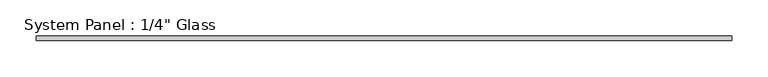
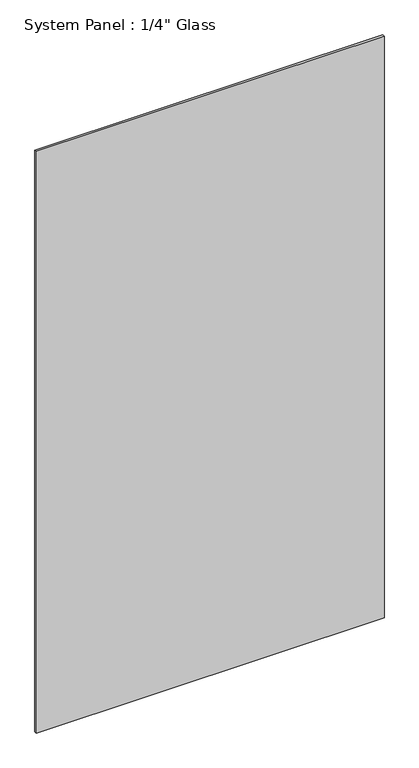
"""IFC4 building model written with IfcOpenShell, lengths in millimetres: plate geometry."""

import ifcopenshell
import ifcopenshell.guid

model = None  # the IFC model being written
_history = None  # IfcOwnerHistory: only IFC2X3 demands one
_inside = {}  # id of a spatial element -> (the spatial element, [elements in it])
_under = {}  # id of a project, library or spatial element -> (it, [spatial elements below it])
_declared = {}  # id of a project -> (the project, [libraries it declares])
_typed = {}  # id of a type object -> (the type object, [elements of that type])
_made_of = {}  # id of a material, layer set ... -> (it, [elements and type objects made of it])


def new_model(schema):
    """Start an empty IFC model of exactly this schema.

    Asked for "IFC4X3", IfcOpenShell would pick the latest addendum, in which some entities
    have other attributes; the version numbers below select the first issue.
    IFC2X3 requires an IfcOwnerHistory on every rooted entity: one is made here for all.
    """
    global model, _history
    if schema == "IFC4X3":
        model = ifcopenshell.file(schema_version=(4, 3, 0, 0))
    else:
        model = ifcopenshell.file(schema=schema)
    _inside.clear()
    _under.clear()
    _declared.clear()
    _typed.clear()
    _made_of.clear()
    _history = None
    if model.schema == "IFC2X3":
        org = make("IfcOrganization", Name="unknown")
        user = make(
            "IfcPersonAndOrganization",
            ThePerson=make("IfcPerson", FamilyName="unknown"),
            TheOrganization=org,
        )
        app = make(
            "IfcApplication",
            ApplicationDeveloper=org,
            Version="unknown",
            ApplicationFullName="unknown",
            ApplicationIdentifier="unknown",
        )
        _history = make(
            "IfcOwnerHistory",
            OwningUser=user,
            OwningApplication=app,
            ChangeAction="ADDED",
            CreationDate=0,
        )
    return model


def make(cls, **values):
    """One entity of the class cls with the attributes given. An attribute that is None is left unset."""
    return model.create_entity(
        cls, **{name: value for name, value in values.items() if value is not None}
    )


def rooted(cls, **values):
    """An entity with a GlobalId (a new one), such as an element, a storey or a relation."""
    return make(cls, GlobalId=ifcopenshell.guid.new(), OwnerHistory=_history, **values)


def si_unit(unit_type, name, prefix=None):
    """IfcSIUnit, for example si_unit("LENGTHUNIT", "METRE", prefix="MILLI")."""
    return make("IfcSIUnit", UnitType=unit_type, Prefix=prefix, Name=name)


def assignment(units):
    """IfcUnitAssignment: the units of a project."""
    return None if units is None else make("IfcUnitAssignment", Units=units)


def point(xyz):
    """IfcCartesianPoint."""
    return None if xyz is None else make("IfcCartesianPoint", Coordinates=xyz)


def direction(xyz):
    """IfcDirection."""
    return None if xyz is None else make("IfcDirection", DirectionRatios=xyz)


def frame(location, z_axis=None, x_axis=None):
    """IfcAxis2Placement3D, a coordinate frame: its origin and axes. An axis left out is left unset."""
    return make(
        "IfcAxis2Placement3D",
        Location=point(location),
        Axis=direction(z_axis),
        RefDirection=direction(x_axis),
    )


def origin():
    """The frame at (0, 0, 0) with its axes left unset."""
    return frame((0.0, 0.0, 0.0))


def origin_with_axes():
    """The frame at (0, 0, 0) with the z axis (0, 0, 1) and the x axis (1, 0, 0) written out."""
    return frame((0.0, 0.0, 0.0), z_axis=(0.0, 0.0, 1.0), x_axis=(1.0, 0.0, 0.0))


def place(relative_to, where):
    """IfcLocalPlacement: puts the frame where relative to a parent placement (None: the world)."""
    return make(
        "IfcLocalPlacement", PlacementRelTo=relative_to, RelativePlacement=where
    )


def context(
    kind, dimensions, precision=None, world=None, true_north=None, identifier=None
):
    """IfcGeometricRepresentationContext, for example the 3D "Model" context."""
    return make(
        "IfcGeometricRepresentationContext",
        ContextIdentifier=identifier,
        ContextType=kind,
        CoordinateSpaceDimension=dimensions,
        Precision=precision,
        WorldCoordinateSystem=world,
        TrueNorth=true_north,
    )


def project(units=None, contexts=None):
    """IfcProject with its units and contexts."""
    return rooted(
        "IfcProject",
        Name="project",
        RepresentationContexts=contexts,
        UnitsInContext=assignment(units),
    )


def spatial(cls, under=None, at=None, **own):
    """A site, building, storey or space (cls), placed at a placement, below another one or the project."""
    s = rooted(cls, ObjectPlacement=at, **own)
    if under is not None:
        _under.setdefault(under.id(), (under, []))[1].append(s)
    return s


def polyline(points):
    """IfcPolyline through the points."""
    return make("IfcPolyline", Points=[point(p) for p in points])


def outline(outer, holes=None, kind="AREA"):
    """IfcArbitraryClosedProfileDef: a profile drawn as a closed curve; with holes, ...WithVoids."""
    if holes is None:
        return make("IfcArbitraryClosedProfileDef", ProfileType=kind, OuterCurve=outer)
    return make(
        "IfcArbitraryProfileDefWithVoids",
        ProfileType=kind,
        OuterCurve=outer,
        InnerCurves=holes,
    )


def extrude(swept, where, along, depth):
    """IfcExtrudedAreaSolid: the profile swept, set in the frame where, extruded along a direction by depth."""
    return make(
        "IfcExtrudedAreaSolid",
        SweptArea=swept,
        Position=where,
        ExtrudedDirection=direction(along),
        Depth=depth,
    )


def shape(context_of_items, identifier, shape_type, items):
    """IfcShapeRepresentation: the items that make up one representation, for example the "Body"."""
    return make(
        "IfcShapeRepresentation",
        ContextOfItems=context_of_items,
        RepresentationIdentifier=identifier,
        RepresentationType=shape_type,
        Items=items,
    )


def source(mapping_origin, context_of_items, identifier, shape_type, items):
    """IfcRepresentationMap: a shape defined once, which mapped items show again and again."""
    return make(
        "IfcRepresentationMap",
        MappingOrigin=mapping_origin,
        MappedRepresentation=shape(context_of_items, identifier, shape_type, items),
    )


def transform(
    local_origin,
    x_axis=None,
    y_axis=None,
    z_axis=None,
    scale=None,
    scale2=None,
    scale3=None,
    uniform=True,
):
    """IfcCartesianTransformationOperator3D, or its non-uniform kind. x_axis, y_axis, z_axis: its Axis1, 2, 3."""
    if uniform:
        return make(
            "IfcCartesianTransformationOperator3D",
            Axis1=direction(x_axis),
            Axis2=direction(y_axis),
            LocalOrigin=point(local_origin),
            Scale=scale,
            Axis3=direction(z_axis),
        )
    return make(
        "IfcCartesianTransformationOperator3DnonUniform",
        Axis1=direction(x_axis),
        Axis2=direction(y_axis),
        LocalOrigin=point(local_origin),
        Scale=scale,
        Axis3=direction(z_axis),
        Scale2=scale2,
        Scale3=scale3,
    )


def mapped(mapping_source, mapping_target):
    """IfcMappedItem: shows the shape of a source again, moved by a transform."""
    return make(
        "IfcMappedItem", MappingSource=mapping_source, MappingTarget=mapping_target
    )


def made_of(thing, what):
    """Note that an element or type object is made of a material, layer set ...; save() writes the relation."""
    if what is not None:
        _made_of.setdefault(what.id(), (what, []))[1].append(thing)
    return thing


def element(
    cls,
    number,
    at=None,
    inside=None,
    cuts=None,
    type_object=None,
    material=None,
    context=None,
    identifier="Body",
    shape_type=None,
    held_by="IfcProductDefinitionShape",
    body=None,
    shapes=None,
    **own,
):
    """One element of the class cls, such as IfcWall. Its Tag is "e" and its number.

    at: its placement. inside: the storey or other place that contains it. cuts: it is an
    opening in that element (IfcRelVoidsElement). A single representation is given by context,
    identifier, shape_type and body (its items); several are given by shapes. held_by: the class
    of the entity that holds the representations. save() writes the other relations.
    """
    e = rooted(cls, Tag="e%d" % number, ObjectPlacement=at, **own)
    if body is not None:
        shapes = [shape(context, identifier, shape_type, body)]
    if shapes is not None:
        e.Representation = make(held_by, Representations=shapes)
    if inside is not None:
        _inside.setdefault(inside.id(), (inside, []))[1].append(e)
    if cuts is not None:
        rooted(
            "IfcRelVoidsElement", RelatingBuildingElement=cuts, RelatedOpeningElement=e
        )
    if type_object is not None:
        _typed.setdefault(type_object.id(), (type_object, []))[1].append(e)
    return made_of(e, material)


def aggregate(whole, parts):
    """IfcRelAggregates: a whole, such as a stair, and the parts it consists of."""
    return rooted("IfcRelAggregates", RelatingObject=whole, RelatedObjects=parts)


def save(model, path):
    """Write the relations noted so far, then the file.

    IfcRelAggregates (storeys below a building ...), IfcRelContainedInSpatialStructure (elements
    in a storey), IfcRelDefinesByType, IfcRelAssociatesMaterial and IfcRelDeclares: one each for
    every whole, place, type object, material and project.
    """
    for whole, parts in _under.values():
        aggregate(whole, parts)
    for where, things in _inside.values():
        rooted(
            "IfcRelContainedInSpatialStructure",
            RelatedElements=things,
            RelatingStructure=where,
        )
    for kind, things in _typed.values():
        rooted("IfcRelDefinesByType", RelatedObjects=things, RelatingType=kind)
    for what, things in _made_of.values():
        rooted("IfcRelAssociatesMaterial", RelatedObjects=things, RelatingMaterial=what)
    for by, libraries in _declared.values():
        rooted("IfcRelDeclares", RelatingContext=by, RelatedDefinitions=libraries)
    model.write(path)


def plate_8c793829(model_context):
    return source(origin(), model_context, "Body", "SweptSolid", [
        extrude(outline(polyline([(479.425, -3.175), (-479.425, -3.175), (-479.425, 3.175), (479.425, 3.175), (479.425, -3.175)])), origin_with_axes(), (0.0, 0.0, 1.0), 1695.45),
    ])


if __name__ == "__main__":
    model = new_model("IFC4")
    model_context = context("Model", 3, world=origin())
    ifc_project = project(units=[si_unit("LENGTHUNIT", "METRE", prefix="MILLI")], contexts=[model_context])
    site = spatial("IfcSite", under=ifc_project)
    building = spatial("IfcBuilding", under=site)
    placement = place(None, origin())
    plate_shape = plate_8c793829(model_context)
    element("IfcPlate", 1, ObjectType="System Panel : 1/4\" Glass", at=placement, inside=building, context=model_context, shape_type="MappedRepresentation", body=[
        mapped(plate_shape, transform((0.0, 0.0, 0.0), x_axis=(1.0, 0.0, 0.0), y_axis=(0.0, 1.0, 0.0), z_axis=(0.0, 0.0, 1.0))),
    ])
    save(model, "model.ifc")
